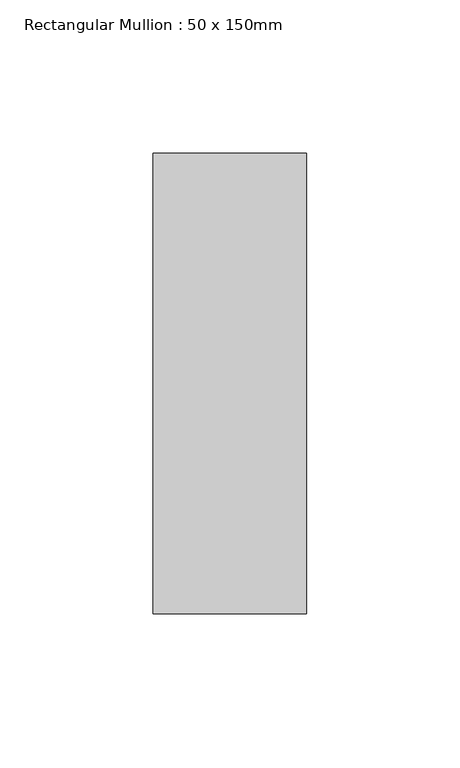
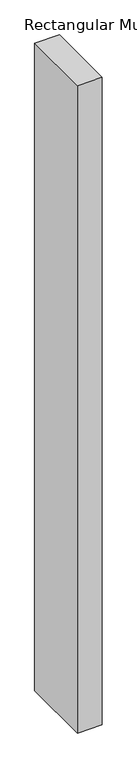
"""IFC4 building model written with IfcOpenShell, lengths in millimetres: member geometry, Rectangular Mullion : 50 x 150mm."""

from ifc_helpers import new_model, si_unit, frame, origin, place, context, project, spatial, polyline, outline, extrude, source, transform, mapped, element, save


def rectangular_mullion_50_x_150mm_95ea7787(model_context):
    return source(origin(), model_context, "Body", "SweptSolid", [
        extrude(outline(polyline([(0.0, 75.0), (0.0, -75.0), (-50.0, -75.0), (-50.0, 75.0), (0.0, 75.0)])), frame((0.0, 0.0, -1386.8421053), z_axis=(0.0, 0.0, 1.0), x_axis=(1.0, 0.0, 0.0)), (0.0, 0.0, 1.0), 1386.8421053),
    ])


if __name__ == "__main__":
    model = new_model("IFC4")
    model_context = context("Model", 3, world=origin())
    ifc_project = project(units=[si_unit("LENGTHUNIT", "METRE", prefix="MILLI")], contexts=[model_context])
    site = spatial("IfcSite", under=ifc_project)
    building = spatial("IfcBuilding", under=site)
    placement = place(None, origin())
    rectangular_mullion_50_x_150mm_shape = rectangular_mullion_50_x_150mm_95ea7787(model_context)
    element("IfcMember", 1, ObjectType="Rectangular Mullion : 50 x 150mm", at=placement, inside=building, context=model_context, shape_type="MappedRepresentation", body=[
        mapped(rectangular_mullion_50_x_150mm_shape, transform((0.0, 0.0, 0.0), x_axis=(1.0, 0.0, 0.0), y_axis=(0.0, 1.0, 0.0), z_axis=(0.0, 0.0, 1.0))),
    ])
    save(model, "model.ifc")
